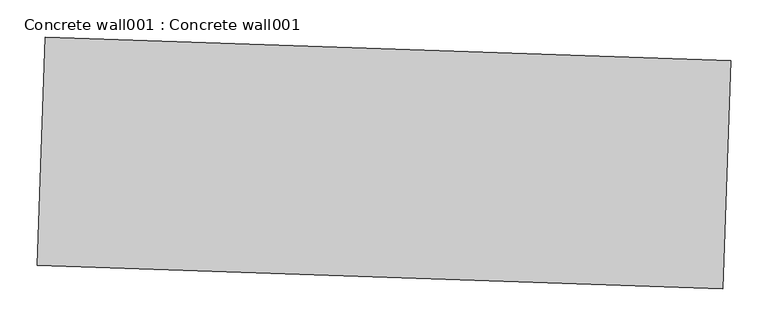
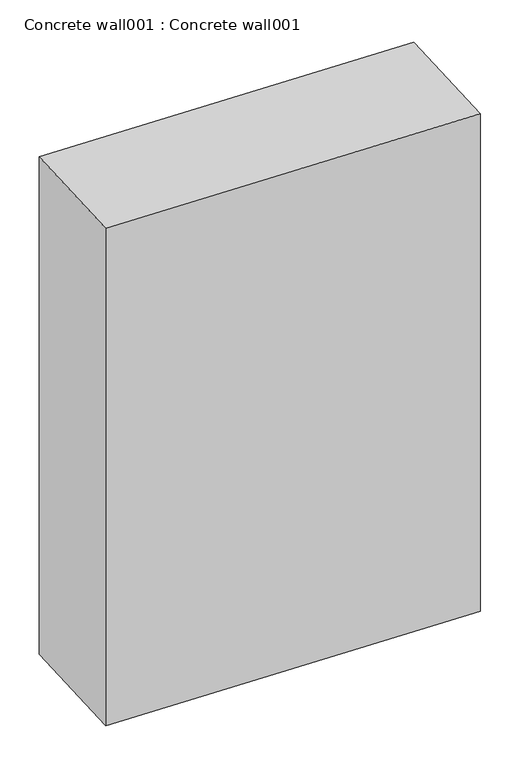
"""IFC4 building model written with IfcOpenShell, lengths in millimetres: proxy geometry, Concrete wall001 : Concrete wall001."""

import ifcopenshell
import ifcopenshell.guid

model = None  # the IFC model being written
_history = None  # IfcOwnerHistory: only IFC2X3 demands one
_inside = {}  # id of a spatial element -> (the spatial element, [elements in it])
_under = {}  # id of a project, library or spatial element -> (it, [spatial elements below it])
_declared = {}  # id of a project -> (the project, [libraries it declares])
_typed = {}  # id of a type object -> (the type object, [elements of that type])
_made_of = {}  # id of a material, layer set ... -> (it, [elements and type objects made of it])


def new_model(schema):
    """Start an empty IFC model of exactly this schema.

    Asked for "IFC4X3", IfcOpenShell would pick the latest addendum, in which some entities
    have other attributes; the version numbers below select the first issue.
    IFC2X3 requires an IfcOwnerHistory on every rooted entity: one is made here for all.
    """
    global model, _history
    if schema == "IFC4X3":
        model = ifcopenshell.file(schema_version=(4, 3, 0, 0))
    else:
        model = ifcopenshell.file(schema=schema)
    _inside.clear()
    _under.clear()
    _declared.clear()
    _typed.clear()
    _made_of.clear()
    _history = None
    if model.schema == "IFC2X3":
        org = make("IfcOrganization", Name="unknown")
        user = make(
            "IfcPersonAndOrganization",
            ThePerson=make("IfcPerson", FamilyName="unknown"),
            TheOrganization=org,
        )
        app = make(
            "IfcApplication",
            ApplicationDeveloper=org,
            Version="unknown",
            ApplicationFullName="unknown",
            ApplicationIdentifier="unknown",
        )
        _history = make(
            "IfcOwnerHistory",
            OwningUser=user,
            OwningApplication=app,
            ChangeAction="ADDED",
            CreationDate=0,
        )
    return model


def make(cls, **values):
    """One entity of the class cls with the attributes given. An attribute that is None is left unset."""
    return model.create_entity(
        cls, **{name: value for name, value in values.items() if value is not None}
    )


def rooted(cls, **values):
    """An entity with a GlobalId (a new one), such as an element, a storey or a relation."""
    return make(cls, GlobalId=ifcopenshell.guid.new(), OwnerHistory=_history, **values)


def si_unit(unit_type, name, prefix=None):
    """IfcSIUnit, for example si_unit("LENGTHUNIT", "METRE", prefix="MILLI")."""
    return make("IfcSIUnit", UnitType=unit_type, Prefix=prefix, Name=name)


def assignment(units):
    """IfcUnitAssignment: the units of a project."""
    return None if units is None else make("IfcUnitAssignment", Units=units)


def point(xyz):
    """IfcCartesianPoint."""
    return None if xyz is None else make("IfcCartesianPoint", Coordinates=xyz)


def direction(xyz):
    """IfcDirection."""
    return None if xyz is None else make("IfcDirection", DirectionRatios=xyz)


def frame(location, z_axis=None, x_axis=None):
    """IfcAxis2Placement3D, a coordinate frame: its origin and axes. An axis left out is left unset."""
    return make(
        "IfcAxis2Placement3D",
        Location=point(location),
        Axis=direction(z_axis),
        RefDirection=direction(x_axis),
    )


def origin():
    """The frame at (0, 0, 0) with its axes left unset."""
    return frame((0.0, 0.0, 0.0))


def place(relative_to, where):
    """IfcLocalPlacement: puts the frame where relative to a parent placement (None: the world)."""
    return make(
        "IfcLocalPlacement", PlacementRelTo=relative_to, RelativePlacement=where
    )


def context(
    kind, dimensions, precision=None, world=None, true_north=None, identifier=None
):
    """IfcGeometricRepresentationContext, for example the 3D "Model" context."""
    return make(
        "IfcGeometricRepresentationContext",
        ContextIdentifier=identifier,
        ContextType=kind,
        CoordinateSpaceDimension=dimensions,
        Precision=precision,
        WorldCoordinateSystem=world,
        TrueNorth=true_north,
    )


def project(units=None, contexts=None):
    """IfcProject with its units and contexts."""
    return rooted(
        "IfcProject",
        Name="project",
        RepresentationContexts=contexts,
        UnitsInContext=assignment(units),
    )


def spatial(cls, under=None, at=None, **own):
    """A site, building, storey or space (cls), placed at a placement, below another one or the project."""
    s = rooted(cls, ObjectPlacement=at, **own)
    if under is not None:
        _under.setdefault(under.id(), (under, []))[1].append(s)
    return s


def polyline(points):
    """IfcPolyline through the points."""
    return make("IfcPolyline", Points=[point(p) for p in points])


def outline(outer, holes=None, kind="AREA"):
    """IfcArbitraryClosedProfileDef: a profile drawn as a closed curve; with holes, ...WithVoids."""
    if holes is None:
        return make("IfcArbitraryClosedProfileDef", ProfileType=kind, OuterCurve=outer)
    return make(
        "IfcArbitraryProfileDefWithVoids",
        ProfileType=kind,
        OuterCurve=outer,
        InnerCurves=holes,
    )


def extrude(swept, where, along, depth):
    """IfcExtrudedAreaSolid: the profile swept, set in the frame where, extruded along a direction by depth."""
    return make(
        "IfcExtrudedAreaSolid",
        SweptArea=swept,
        Position=where,
        ExtrudedDirection=direction(along),
        Depth=depth,
    )


def shape(context_of_items, identifier, shape_type, items):
    """IfcShapeRepresentation: the items that make up one representation, for example the "Body"."""
    return make(
        "IfcShapeRepresentation",
        ContextOfItems=context_of_items,
        RepresentationIdentifier=identifier,
        RepresentationType=shape_type,
        Items=items,
    )


def source(mapping_origin, context_of_items, identifier, shape_type, items):
    """IfcRepresentationMap: a shape defined once, which mapped items show again and again."""
    return make(
        "IfcRepresentationMap",
        MappingOrigin=mapping_origin,
        MappedRepresentation=shape(context_of_items, identifier, shape_type, items),
    )


def transform(
    local_origin,
    x_axis=None,
    y_axis=None,
    z_axis=None,
    scale=None,
    scale2=None,
    scale3=None,
    uniform=True,
):
    """IfcCartesianTransformationOperator3D, or its non-uniform kind. x_axis, y_axis, z_axis: its Axis1, 2, 3."""
    if uniform:
        return make(
            "IfcCartesianTransformationOperator3D",
            Axis1=direction(x_axis),
            Axis2=direction(y_axis),
            LocalOrigin=point(local_origin),
            Scale=scale,
            Axis3=direction(z_axis),
        )
    return make(
        "IfcCartesianTransformationOperator3DnonUniform",
        Axis1=direction(x_axis),
        Axis2=direction(y_axis),
        LocalOrigin=point(local_origin),
        Scale=scale,
        Axis3=direction(z_axis),
        Scale2=scale2,
        Scale3=scale3,
    )


def mapped(mapping_source, mapping_target):
    """IfcMappedItem: shows the shape of a source again, moved by a transform."""
    return make(
        "IfcMappedItem", MappingSource=mapping_source, MappingTarget=mapping_target
    )


def made_of(thing, what):
    """Note that an element or type object is made of a material, layer set ...; save() writes the relation."""
    if what is not None:
        _made_of.setdefault(what.id(), (what, []))[1].append(thing)
    return thing


def element(
    cls,
    number,
    at=None,
    inside=None,
    cuts=None,
    type_object=None,
    material=None,
    context=None,
    identifier="Body",
    shape_type=None,
    held_by="IfcProductDefinitionShape",
    body=None,
    shapes=None,
    **own,
):
    """One element of the class cls, such as IfcWall. Its Tag is "e" and its number.

    at: its placement. inside: the storey or other place that contains it. cuts: it is an
    opening in that element (IfcRelVoidsElement). A single representation is given by context,
    identifier, shape_type and body (its items); several are given by shapes. held_by: the class
    of the entity that holds the representations. save() writes the other relations.
    """
    e = rooted(cls, Tag="e%d" % number, ObjectPlacement=at, **own)
    if body is not None:
        shapes = [shape(context, identifier, shape_type, body)]
    if shapes is not None:
        e.Representation = make(held_by, Representations=shapes)
    if inside is not None:
        _inside.setdefault(inside.id(), (inside, []))[1].append(e)
    if cuts is not None:
        rooted(
            "IfcRelVoidsElement", RelatingBuildingElement=cuts, RelatedOpeningElement=e
        )
    if type_object is not None:
        _typed.setdefault(type_object.id(), (type_object, []))[1].append(e)
    return made_of(e, material)


def aggregate(whole, parts):
    """IfcRelAggregates: a whole, such as a stair, and the parts it consists of."""
    return rooted("IfcRelAggregates", RelatingObject=whole, RelatedObjects=parts)


def save(model, path):
    """Write the relations noted so far, then the file.

    IfcRelAggregates (storeys below a building ...), IfcRelContainedInSpatialStructure (elements
    in a storey), IfcRelDefinesByType, IfcRelAssociatesMaterial and IfcRelDeclares: one each for
    every whole, place, type object, material and project.
    """
    for whole, parts in _under.values():
        aggregate(whole, parts)
    for where, things in _inside.values():
        rooted(
            "IfcRelContainedInSpatialStructure",
            RelatedElements=things,
            RelatingStructure=where,
        )
    for kind, things in _typed.values():
        rooted("IfcRelDefinesByType", RelatedObjects=things, RelatingType=kind)
    for what, things in _made_of.values():
        rooted("IfcRelAssociatesMaterial", RelatedObjects=things, RelatingMaterial=what)
    for by, libraries in _declared.values():
        rooted("IfcRelDeclares", RelatingContext=by, RelatedDefinitions=libraries)
    model.write(path)


def concrete_wall001_concrete_wall001_f1340099(model_context):
    return source(origin(), model_context, "Body", "SweptSolid", [
        extrude(outline(polyline([(34365.692725, -15154.9304275), (34355.2680219, -15459.5521037), (33441.4029935, -15428.2779944), (33451.8276966, -15123.6563182), (34365.692725, -15154.9304275)])), frame((0.0, 0.0, 3009.9), z_axis=(0.0, 0.0, 1.0), x_axis=(1.0, 0.0, 0.0)), (0.0, 0.0, 1.0), 1308.1),
    ])


if __name__ == "__main__":
    model = new_model("IFC4")
    model_context = context("Model", 3, world=origin())
    ifc_project = project(units=[si_unit("LENGTHUNIT", "METRE", prefix="MILLI")], contexts=[model_context])
    site = spatial("IfcSite", under=ifc_project)
    building = spatial("IfcBuilding", under=site)
    placement = place(None, origin())
    concrete_wall001_concrete_wall001_shape = concrete_wall001_concrete_wall001_f1340099(model_context)
    element("IfcBuildingElementProxy", 1, Name="Concrete wall001 : Concrete wall001", ObjectType="Concrete wall001 : Concrete wall001", at=placement, inside=building, context=model_context, shape_type="MappedRepresentation", body=[
        mapped(concrete_wall001_concrete_wall001_shape, transform((0.0, 0.0, 0.0), x_axis=(1.0, 0.0, 0.0), y_axis=(0.0, 1.0, 0.0), z_axis=(0.0, 0.0, 1.0))),
    ])
    save(model, "model.ifc")
